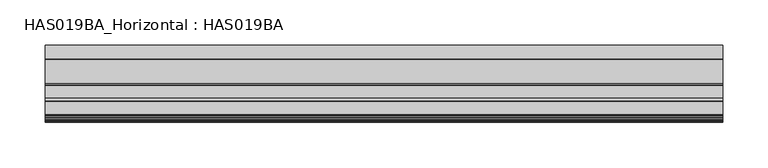
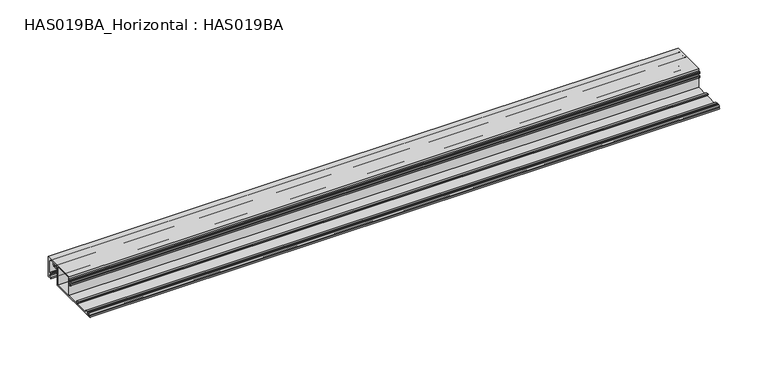
"""IFC4 building model written with IfcOpenShell, lengths in millimetres: beam geometry, HAS019BA_Horizontal : HAS019BA."""

from ifc_helpers import new_model, si_unit, point, frame, frame_2d, origin, place, context, project, spatial, polyline, circle_curve, trimmed, segment, composite_curve, outline, extrude, source, transform, mapped, element, save


def has019ba_horizontal_has019ba_5e2a1a6d(model_context):
    return source(origin(), model_context, "Body", "SweptSolid", [
        extrude(outline(composite_curve([segment(trimmed(circle_curve(frame_2d((-34.4435728, 2.0578665)), 0.5019187), [point((-34.8878502, 2.2914045))], [point((-34.4435728, 1.5559478))], True, "CARTESIAN"), True, "CONTINUOUS"), segment(polyline([(-34.4435728, 1.5559478), (-17.3287041, 1.5559478), (-17.3287041, 2.8609364), (-19.0108765, 3.7313788)]), True, "CONTINUOUS"), segment(trimmed(circle_curve(frame_2d((-18.7340763, 4.2663086)), 0.6023024), [point((-19.0108765, 3.7313788))], [point((-18.7340763, 4.868611))], False, "CARTESIAN"), True, "CONTINUOUS"), segment(polyline([(-18.7340763, 4.868611), (-16.0237156, 4.868611), (-16.0237156, 1.5559478), (0.238449, 1.5559478), (0.238449, 14.7062167), (-1.4680745, 14.7062167)]), True, "CONTINUOUS"), segment(trimmed(circle_curve(frame_2d((-1.4680745, 15.2081353)), 0.5019187), [point((-1.4680745, 14.7062167))], [point((-1.9699931, 15.2081353))], False, "CARTESIAN"), True, "CONTINUOUS"), segment(polyline([(-1.9699931, 15.2081353), (-1.9699931, 16.8135076)]), True, "CONTINUOUS"), segment(trimmed(circle_curve(frame_2d((-1.4680745, 16.8135076)), 0.5019187), [point((-1.9699931, 16.8135076))], [point((-0.9661558, 16.8135076))], False, "CARTESIAN"), True, "CONTINUOUS"), segment(polyline([(-0.9661558, 16.8135076), (-0.9661558, 16.0112052), (0.4392164, 16.0112052), (0.4392164, 21.3359938), (-0.9661558, 21.3359938), (-0.9661558, 20.5336914)]), True, "CONTINUOUS"), segment(trimmed(circle_curve(frame_2d((-1.4680745, 20.5336914)), 0.5019187), [point((-0.9661558, 20.5336914))], [point((-1.9699931, 20.5336914))], False, "CARTESIAN"), True, "CONTINUOUS"), segment(polyline([(-1.9699931, 20.5336914), (-1.9699931, 22.1390636)]), True, "CONTINUOUS"), segment(trimmed(circle_curve(frame_2d((-1.4680745, 22.1390636)), 0.5019187), [point((-1.9699931, 22.1390636))], [point((-1.4680745, 22.6409823))], False, "CARTESIAN"), True, "CONTINUOUS"), segment(polyline([(-1.4680745, 22.6409823), (0.238449, 22.6409823), (0.238449, 25.0), (42.5, 25.0), (42.5, 0.0), (38.1834995, 0.0)]), True, "CONTINUOUS"), segment(trimmed(circle_curve(frame_2d((38.1834995, 0.7026861)), 0.7026861), [point((38.1834995, 0.0))], [point((38.1834995, 1.4053722))], False, "CARTESIAN"), True, "CONTINUOUS"), segment(polyline([(38.1834995, 1.4053722), (41.1448196, 1.4053722), (41.1448196, 4.6678435), (39.4382962, 4.6678435)]), True, "CONTINUOUS"), segment(trimmed(circle_curve(frame_2d((39.4382962, 5.4709134)), 0.8030699), [point((39.4382962, 4.6678435))], [point((38.6352263, 5.4709134))], False, "CARTESIAN"), True, "CONTINUOUS"), segment(polyline([(38.6352263, 5.4709134), (38.6352263, 6.6755182)]), True, "CONTINUOUS"), segment(trimmed(circle_curve(frame_2d((39.137145, 6.6755182)), 0.5019187), [point((38.6352263, 6.6755182))], [point((39.6390636, 6.6755182))], False, "CARTESIAN"), True, "CONTINUOUS"), segment(polyline([(39.6390636, 6.6755182), (39.6390636, 5.6716808), (41.1448196, 5.6716808), (41.1448196, 23.6448196), (39.6390636, 23.6448196), (39.6390636, 22.6409823)]), True, "CONTINUOUS"), segment(trimmed(circle_curve(frame_2d((39.137145, 22.6409823)), 0.5019187), [point((39.6390636, 22.6409823))], [point((38.6352263, 22.6409823))], False, "CARTESIAN"), True, "CONTINUOUS"), segment(polyline([(38.6352263, 22.6409823), (38.6352263, 23.6448196), (32.6245803, 23.6448196)]), True, "CONTINUOUS"), segment(trimmed(circle_curve(frame_2d((32.6245803, 23.2432511)), 0.4015685), [point((32.6245803, 23.6448196))], [point((32.2617574, 23.0711558))], True, "CARTESIAN"), True, "CONTINUOUS"), segment(trimmed(circle_curve(frame_2d((29.4501149, 21.7375287)), 3.1118957), [point((32.2617574, 23.0711558))], [point((31.784794, 19.6800623))], False, "CARTESIAN"), True, "CONTINUOUS"), segment(trimmed(circle_curve(frame_2d((31.2199523, 20.1778364)), 0.752878), [point((31.784794, 19.6800623))], [point((30.6551106, 20.6756106))], False, "CARTESIAN"), True, "CONTINUOUS"), segment(trimmed(circle_curve(frame_2d((29.4501149, 21.7375287)), 1.6061397), [point((30.6551106, 20.6756106))], [point((29.4086423, 23.3431329))], True, "CARTESIAN"), True, "CONTINUOUS"), segment(trimmed(circle_curve(frame_2d((29.4501149, 21.7375287)), 1.6061397), [point((29.4086423, 23.3431329))], [point((28.2451192, 20.6756106))], True, "CARTESIAN"), True, "CONTINUOUS"), segment(trimmed(circle_curve(frame_2d((27.6802775, 20.1778364)), 0.752878), [point((28.2451192, 20.6756106))], [point((27.1154358, 19.6800623))], False, "CARTESIAN"), True, "CONTINUOUS"), segment(trimmed(circle_curve(frame_2d((29.4501149, 21.7375287)), 3.1118957), [point((27.1154358, 19.6800623))], [point((26.6384869, 23.0711864))], False, "CARTESIAN"), True, "CONTINUOUS"), segment(trimmed(circle_curve(frame_2d((26.2756877, 23.2432753)), 0.4015444), [point((26.6384869, 23.0711864))], [point((26.2756877, 23.6448196))], True, "CARTESIAN"), True, "CONTINUOUS"), segment(polyline([(26.2756877, 23.6448196), (23.9792015, 23.6448196), (23.9792015, 0.0), (-42.1485817, 0.0)]), True, "CONTINUOUS"), segment(trimmed(circle_curve(frame_2d((-42.1485817, 0.7779739)), 0.7779739), [point((-42.1485817, 0.0))], [point((-42.2981386, 1.5414372))], False, "CARTESIAN"), True, "CONTINUOUS"), segment(trimmed(circle_curve(frame_2d((-42.3946269, 2.0339941)), 0.5019187), [point((-42.2981386, 1.5414372))], [point((-41.9177896, 2.1906738))], True, "CARTESIAN"), True, "CONTINUOUS"), segment(trimmed(circle_curve(frame_2d((-38.9613982, 3.1620875)), 3.1118957), [point((-41.9177896, 2.1906738))], [point((-41.563642, 4.868611))], False, "CARTESIAN"), True, "CONTINUOUS"), segment(polyline([(-41.563642, 4.868611), (-40.4033411, 4.868611)]), True, "CONTINUOUS"), segment(trimmed(circle_curve(frame_2d((-40.4033411, 4.5045932)), 0.3640178), [point((-40.4033411, 4.868611))], [point((-40.1369193, 4.256544))], False, "CARTESIAN"), True, "CONTINUOUS"), segment(trimmed(circle_curve(frame_2d((-38.9613982, 3.1620875)), 1.6061397), [point((-40.1369193, 4.256544))], [point((-37.8202, 4.2922873))], True, "CARTESIAN"), True, "CONTINUOUS"), segment(trimmed(circle_curve(frame_2d((-37.5798426, 4.5303283)), 0.3382827), [point((-37.8202, 4.2922873))], [point((-37.5798426, 4.868611))], False, "CARTESIAN"), True, "CONTINUOUS"), segment(polyline([(-37.5798426, 4.868611), (-35.567052, 4.868611), (-34.6291522, 3.9307111)]), True, "CONTINUOUS"), segment(trimmed(circle_curve(frame_2d((-35.1970083, 3.362855)), 0.8030699), [point((-34.6291522, 3.9307111))], [point((-34.4108764, 3.1987884))], False, "CARTESIAN"), True, "CONTINUOUS"), segment(polyline([(-34.4108764, 3.1987884), (-34.8878502, 2.2914045)]), True, "CONTINUOUS")], self_intersect=False), holes=[polyline([(1.7943968, 23.6448196), (1.7943968, 1.5559478), (22.4232537, 1.5559478), (22.4232537, 23.6448196), (1.7943968, 23.6448196)])]), frame((-374.9040671, 0.0, 0.0), z_axis=(1.0, 0.0, 0.0), x_axis=(0.0, 1.0, 0.0)), (0.0, 0.0, 1.0), 749.8081342),
    ])


if __name__ == "__main__":
    model = new_model("IFC4")
    model_context = context("Model", 3, world=origin())
    ifc_project = project(units=[si_unit("LENGTHUNIT", "METRE", prefix="MILLI")], contexts=[model_context])
    site = spatial("IfcSite", under=ifc_project)
    building = spatial("IfcBuilding", under=site)
    placement = place(None, origin())
    has019ba_horizontal_has019ba_shape = has019ba_horizontal_has019ba_5e2a1a6d(model_context)
    element("IfcBeam", 1, ObjectType="HAS019BA_Horizontal : HAS019BA", at=placement, inside=building, context=model_context, shape_type="MappedRepresentation", body=[
        mapped(has019ba_horizontal_has019ba_shape, transform((0.0, 0.0, 0.0), x_axis=(1.0, 0.0, 0.0), y_axis=(0.0, 1.0, 0.0), z_axis=(0.0, 0.0, 1.0))),
    ])
    save(model, "model.ifc")
